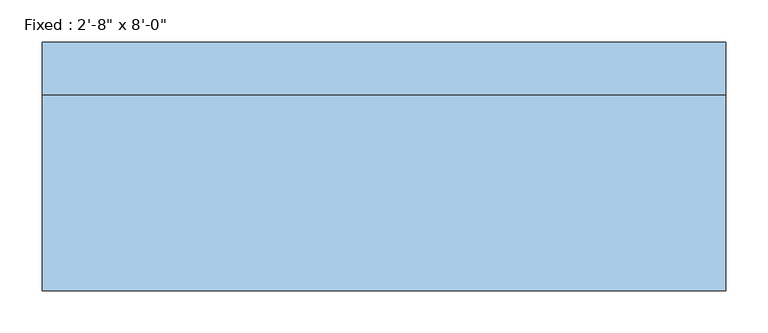
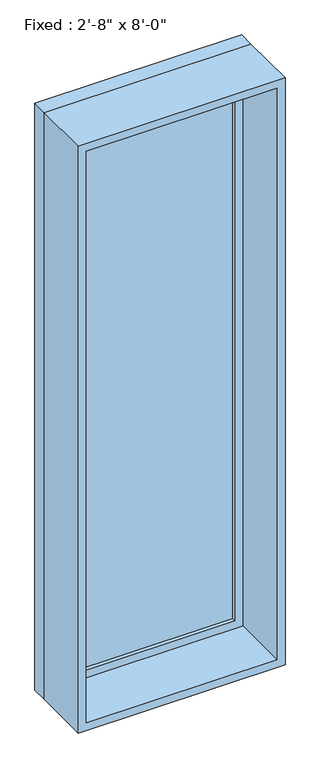
"""IFC4 building model written with IfcOpenShell, lengths in millimetres: window geometry."""

from ifc_helpers import new_model, si_unit, frame, origin, place, context, project, spatial, polyline, outline, extrude, source, transform, mapped, element, save


def window_0414e517(model_context):
    return source(origin(), model_context, "Body", "SweptSolid", [
        extrude(outline(polyline([(304.8, 100.0125), (-381.0, 100.0125), (-381.0, 112.7125), (304.8, 112.7125), (304.8, 100.0125)])), frame((0.0, 0.0, 317.5), z_axis=(0.0, 0.0, 1.0), x_axis=(1.0, 0.0, 0.0)), (0.0, 0.0, 1.0), 2311.4),
        extrude(outline(polyline([(2673.35, -425.45), (273.05, -425.45), (273.05, 349.25), (2673.35, 349.25), (2673.35, -425.45)]), holes=[polyline([(2628.9, -381.0), (2628.9, 304.8), (317.5, 304.8), (317.5, -381.0), (2628.9, -381.0)])]), frame((0.0, 84.1375, 0.0), z_axis=(0.0, 1.0, 0.0), x_axis=(0.0, 0.0, 1.0)), (0.0, 0.0, 1.0), 44.45),
        extrude(outline(polyline([(2692.4, -444.5), (254.0, -444.5), (254.0, 368.3), (2692.4, 368.3), (2692.4, -444.5)]), holes=[polyline([(2660.65, -412.75), (2660.65, 336.55), (285.75, 336.55), (285.75, -412.75), (2660.65, -412.75)])]), frame((0.0, -147.6375, 0.0), z_axis=(0.0, 1.0, 0.0), x_axis=(0.0, 0.0, 1.0)), (0.0, 0.0, 1.0), 231.775),
        extrude(outline(polyline([(2692.4, 368.3), (2692.4, -444.5), (254.0, -444.5), (254.0, 368.3), (2692.4, 368.3)]), holes=[polyline([(2673.35, 349.25), (273.05, 349.25), (273.05, -425.45), (2673.35, -425.45), (2673.35, 349.25)])]), frame((0.0, 84.1375, 0.0), z_axis=(0.0, 1.0, 0.0), x_axis=(0.0, 0.0, 1.0)), (0.0, 0.0, 1.0), 63.5),
    ])


if __name__ == "__main__":
    model = new_model("IFC4")
    model_context = context("Model", 3, world=origin())
    ifc_project = project(units=[si_unit("LENGTHUNIT", "METRE", prefix="MILLI")], contexts=[model_context])
    site = spatial("IfcSite", under=ifc_project)
    building = spatial("IfcBuilding", under=site)
    placement = place(None, origin())
    window_shape = window_0414e517(model_context)
    element("IfcWindow", 1, ObjectType="Fixed : 2'-8\" x 8'-0\"", at=placement, inside=building, context=model_context, shape_type="MappedRepresentation", body=[
        mapped(window_shape, transform((0.0, 0.0, 0.0), x_axis=(1.0, 0.0, 0.0), y_axis=(0.0, 1.0, 0.0), z_axis=(0.0, 0.0, 1.0))),
    ])
    save(model, "model.ifc")
